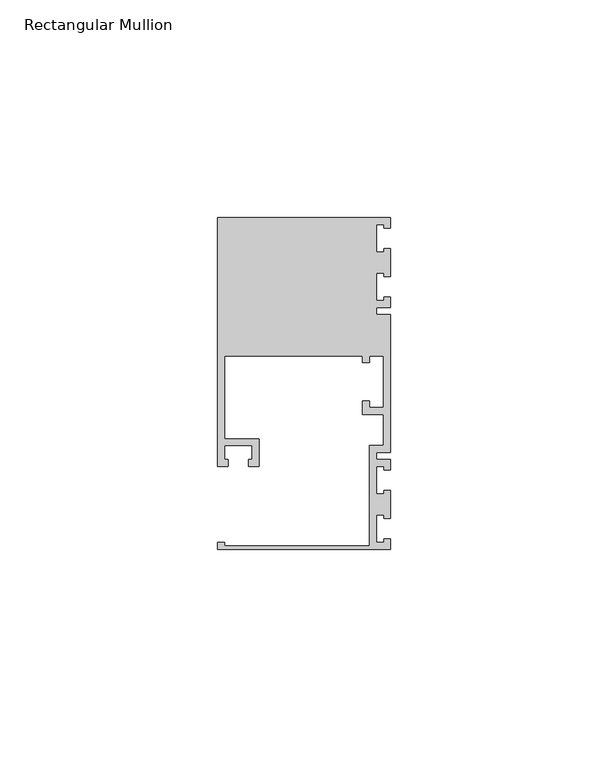
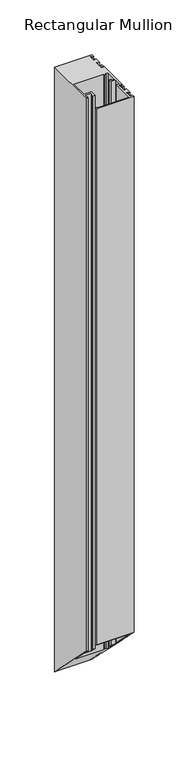
"""IFC4 building model written with IfcOpenShell, lengths in millimetres: member geometry, Rectangular Mullion."""

from ifc_helpers import new_model, si_unit, origin, place, context, project, spatial, faceted_brep, source, transform, mapped, element, save


def rectangular_mullion_6e4cbbc5(model_context):
    return source(origin(), model_context, "Body", "Brep", [
        faceted_brep([(0.0, -38.1, 0.0), (0.0, -35.71875, 0.0), (-1.4999946, -35.71875, 0.0), (-1.4999946, -36.5125, 0.0), (-3.175, -36.5125, 0.0), (-3.175, -30.1625, 0.0), (-1.4999946, -30.1625, 0.0), (-1.4999946, -30.95625, 0.0), (0.0, -30.95625, 0.0), (0.0, -24.60625, 0.0), (-1.4999946, -24.60625, 0.0), (-1.4999946, -25.4, 0.0), (-3.175, -25.4, 0.0), (-3.175, -19.05, 0.0), (-1.4999946, -19.05, 0.0), (-1.4999946, -19.84375, 0.0), (0.0, -19.84375, 0.0), (0.0, -17.4625, 0.0), (-3.175, -17.4625, 0.0), (-3.175, -15.875, 0.0), (0.0, -15.875, 0.0), (0.0, 15.875, 0.0), (-3.175, 15.875, 0.0), (-3.175, 17.4625, 0.0), (0.0, 17.4625, 0.0), (0.0, 19.84375, 0.0), (-1.4999946, 19.84375, 0.0), (-1.4999946, 19.05, 0.0), (-3.175, 19.05, 0.0), (-3.175, 25.4, 0.0), (-1.4999946, 25.4, 0.0), (-1.4999946, 24.60625, 0.0), (0.0, 24.60625, 0.0), (0.0, 30.95625, 0.0), (-1.4999946, 30.95625, 0.0), (-1.4999946, 30.1625, 0.0), (-3.175, 30.1625, 0.0), (-3.175, 36.5125, 0.0), (-1.4999946, 36.5125, 0.0), (-1.4999946, 35.71875, 0.0), (0.0, 35.71875, 0.0), (0.0, 38.1, 0.0), (-39.6875, 38.1, 0.0), (-39.6875, -19.05, 0.0), (-37.30625, -19.05, 0.0), (-37.30625, -17.4625, 0.0), (-38.1, -17.4625, 0.0), (-38.1, -14.2875, 0.0), (-31.75, -14.2875, 0.0), (-31.75, -17.4625, 0.0), (-32.54375, -17.4625, 0.0), (-32.54375, -19.05, 0.0), (-30.1625, -19.05, 0.0), (-30.1625, -12.7, 0.0), (-38.1, -12.7, 0.0), (-38.1, 6.35, 0.0), (-6.35, 6.35, 0.0), (-6.35, 4.7625, 0.0), (-4.7625, 4.7625, 0.0), (-4.7625, 6.35, 0.0), (-1.5875, 6.35, 0.0), (-1.5875, -5.55625, 0.0), (-4.7625, -5.55625, 0.0), (-4.7625, -3.96875, 0.0), (-6.35, -3.96875, 0.0), (-6.35, -7.14375, 0.0), (-1.5875, -7.14375, 0.0), (-1.5875, -14.2875, 0.0), (-4.7625, -14.2875, 0.0), (-4.7625, -37.30625, 0.0), (-38.1, -37.30625, 0.0), (-38.1, -36.5125, 0.0), (-39.6875, -36.5125, 0.0), (-39.6875, -38.1, 0.0), (0.0, -38.1, -596.9), (0.0, -35.71875, -599.28125), (-1.4999946, -35.71875, -599.28125), (-1.4999946, -36.5125, -598.4875), (-3.175, -36.5125, -598.4875), (-3.175, -30.1625, -604.8375), (-1.4999946, -30.1625, -604.8375), (-1.4999946, -30.95625, -604.04375), (0.0, -30.95625, -604.04375), (0.0, -24.60625, -610.39375), (-1.4999946, -24.60625, -610.39375), (-1.4999946, -25.4, -609.6), (-3.175, -25.4, -609.6), (-3.175, -19.05, -615.95), (-1.4999946, -19.05, -615.95), (-1.4999946, -19.84375, -615.15625), (0.0, -19.84375, -615.15625), (0.0, -17.4625, -617.5375), (-3.175, -17.4625, -617.5375), (-3.175, -15.875, -619.125), (0.0, -15.875, -619.125), (0.0, 15.875, -650.875), (-3.175, 15.875, -650.875), (-3.175, 17.4625, -652.4625), (0.0, 17.4625, -652.4625), (0.0, 19.84375, -654.84375), (-1.4999946, 19.84375, -654.84375), (-1.4999946, 19.05, -654.05), (-3.175, 19.05, -654.05), (-3.175, 25.4, -660.4), (-1.4999946, 25.4, -660.4), (-1.4999946, 24.60625, -659.60625), (0.0, 24.60625, -659.60625), (0.0, 30.95625, -665.95625), (-1.4999946, 30.95625, -665.95625), (-1.4999946, 30.1625, -665.1625), (-3.175, 30.1625, -665.1625), (-3.175, 36.5125, -671.5125), (-1.4999946, 36.5125, -671.5125), (-1.4999946, 35.71875, -670.71875), (0.0, 35.71875, -670.71875), (0.0, 38.1, -673.1), (-39.6875, 38.1, -673.1), (-39.6875, -19.05, -615.95), (-37.30625, -19.05, -615.95), (-37.30625, -17.4625, -617.5375), (-38.1, -17.4625, -617.5375), (-38.1, -14.2875, -620.7125), (-31.75, -14.2875, -620.7125), (-31.75, -17.4625, -617.5375), (-32.54375, -17.4625, -617.5375), (-32.54375, -19.05, -615.95), (-30.1625, -19.05, -615.95), (-30.1625, -12.7, -622.3), (-38.1, -12.7, -622.3), (-38.1, 6.35, -641.35), (-6.35, 6.35, -641.35), (-6.35, 4.7625, -639.7625), (-4.7625, 4.7625, -639.7625), (-4.7625, 6.35, -641.35), (-1.5875, 6.35, -641.35), (-1.5875, -5.55625, -629.44375), (-4.7625, -5.55625, -629.44375), (-4.7625, -3.96875, -631.03125), (-6.35, -3.96875, -631.03125), (-6.35, -7.14375, -627.85625), (-1.5875, -7.14375, -627.85625), (-1.5875, -14.2875, -620.7125), (-4.7625, -14.2875, -620.7125), (-4.7625, -37.30625, -597.69375), (-38.1, -37.30625, -597.69375), (-38.1, -36.5125, -598.4875), (-39.6875, -36.5125, -598.4875), (-39.6875, -38.1, -596.9)], [[[0, 1, 2, 3, 4, 5, 6, 7, 8, 9, 10, 11, 12, 13, 14, 15, 16, 17, 18, 19, 20, 21, 22, 23, 24, 25, 26, 27, 28, 29, 30, 31, 32, 33, 34, 35, 36, 37, 38, 39, 40, 41, 42, 43, 44, 45, 46, 47, 48, 49, 50, 51, 52, 53, 54, 55, 56, 57, 58, 59, 60, 61, 62, 63, 64, 65, 66, 67, 68, 69, 70, 71, 72, 73]], [[1, 0, 74, 75]], [[2, 1, 75, 76]], [[3, 2, 76, 77]], [[4, 3, 77, 78]], [[5, 4, 78, 79]], [[6, 5, 79, 80]], [[7, 6, 80, 81]], [[8, 7, 81, 82]], [[9, 8, 82, 83]], [[10, 9, 83, 84]], [[11, 10, 84, 85]], [[12, 11, 85, 86]], [[13, 12, 86, 87]], [[14, 13, 87, 88]], [[15, 14, 88, 89]], [[16, 15, 89, 90]], [[17, 16, 90, 91]], [[18, 17, 91, 92]], [[19, 18, 92, 93]], [[20, 19, 93, 94]], [[21, 20, 94, 95]], [[22, 21, 95, 96]], [[23, 22, 96, 97]], [[24, 23, 97, 98]], [[25, 24, 98, 99]], [[26, 25, 99, 100]], [[27, 26, 100, 101]], [[28, 27, 101, 102]], [[29, 28, 102, 103]], [[30, 29, 103, 104]], [[31, 30, 104, 105]], [[32, 31, 105, 106]], [[33, 32, 106, 107]], [[34, 33, 107, 108]], [[35, 34, 108, 109]], [[36, 35, 109, 110]], [[37, 36, 110, 111]], [[38, 37, 111, 112]], [[39, 38, 112, 113]], [[40, 39, 113, 114]], [[41, 40, 114, 115]], [[42, 41, 115, 116]], [[43, 42, 116, 117]], [[44, 43, 117, 118]], [[45, 44, 118, 119]], [[46, 45, 119, 120]], [[47, 46, 120, 121]], [[48, 47, 121, 122]], [[49, 48, 122, 123]], [[50, 49, 123, 124]], [[51, 50, 124, 125]], [[52, 51, 125, 126]], [[53, 52, 126, 127]], [[54, 53, 127, 128]], [[55, 54, 128, 129]], [[56, 55, 129, 130]], [[57, 56, 130, 131]], [[58, 57, 131, 132]], [[59, 58, 132, 133]], [[60, 59, 133, 134]], [[61, 60, 134, 135]], [[62, 61, 135, 136]], [[63, 62, 136, 137]], [[64, 63, 137, 138]], [[65, 64, 138, 139]], [[66, 65, 139, 140]], [[67, 66, 140, 141]], [[68, 67, 141, 142]], [[69, 68, 142, 143]], [[70, 69, 143, 144]], [[71, 70, 144, 145]], [[72, 71, 145, 146]], [[73, 72, 146, 147]], [[0, 73, 147, 74]], [[74, 147, 146, 145, 144, 143, 142, 141, 140, 139, 138, 137, 136, 135, 134, 133, 132, 131, 130, 129, 128, 127, 126, 125, 124, 123, 122, 121, 120, 119, 118, 117, 116, 115, 114, 113, 112, 111, 110, 109, 108, 107, 106, 105, 104, 103, 102, 101, 100, 99, 98, 97, 96, 95, 94, 93, 92, 91, 90, 89, 88, 87, 86, 85, 84, 83, 82, 81, 80, 79, 78, 77, 76, 75]]]),
    ])


if __name__ == "__main__":
    model = new_model("IFC4")
    model_context = context("Model", 3, world=origin())
    ifc_project = project(units=[si_unit("LENGTHUNIT", "METRE", prefix="MILLI")], contexts=[model_context])
    site = spatial("IfcSite", under=ifc_project)
    building = spatial("IfcBuilding", under=site)
    placement = place(None, origin())
    rectangular_mullion_shape = rectangular_mullion_6e4cbbc5(model_context)
    element("IfcMember", 1, ObjectType="Rectangular Mullion", at=placement, inside=building, context=model_context, shape_type="MappedRepresentation", body=[
        mapped(rectangular_mullion_shape, transform((0.0, 0.0, 0.0), x_axis=(1.0, 0.0, 0.0), y_axis=(0.0, 1.0, 0.0), z_axis=(0.0, 0.0, 1.0))),
    ])
    save(model, "model.ifc")
